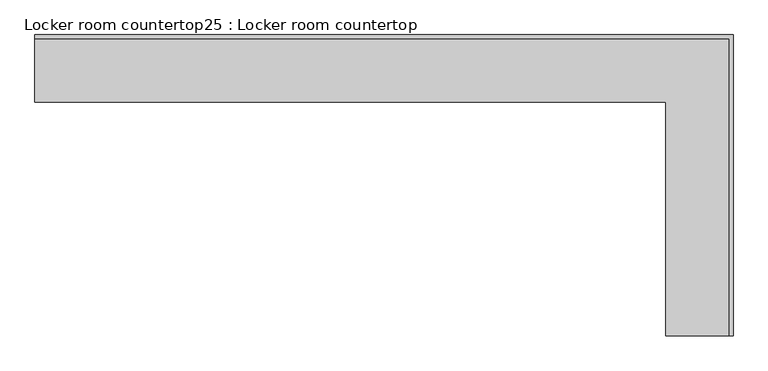
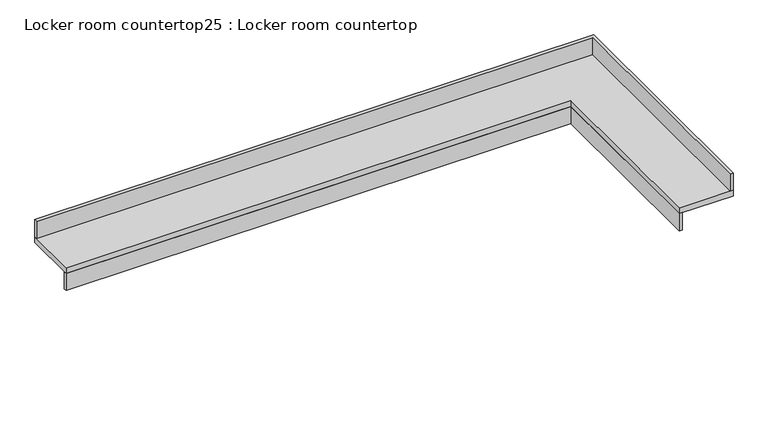
"""IFC4 building model written with IfcOpenShell, lengths in millimetres: furniture geometry, Locker room countertop25 : Locker room countertop."""

import ifcopenshell
import ifcopenshell.guid

model = None  # the IFC model being written
_history = None  # IfcOwnerHistory: only IFC2X3 demands one
_inside = {}  # id of a spatial element -> (the spatial element, [elements in it])
_under = {}  # id of a project, library or spatial element -> (it, [spatial elements below it])
_declared = {}  # id of a project -> (the project, [libraries it declares])
_typed = {}  # id of a type object -> (the type object, [elements of that type])
_made_of = {}  # id of a material, layer set ... -> (it, [elements and type objects made of it])


def new_model(schema):
    """Start an empty IFC model of exactly this schema.

    Asked for "IFC4X3", IfcOpenShell would pick the latest addendum, in which some entities
    have other attributes; the version numbers below select the first issue.
    IFC2X3 requires an IfcOwnerHistory on every rooted entity: one is made here for all.
    """
    global model, _history
    if schema == "IFC4X3":
        model = ifcopenshell.file(schema_version=(4, 3, 0, 0))
    else:
        model = ifcopenshell.file(schema=schema)
    _inside.clear()
    _under.clear()
    _declared.clear()
    _typed.clear()
    _made_of.clear()
    _history = None
    if model.schema == "IFC2X3":
        org = make("IfcOrganization", Name="unknown")
        user = make(
            "IfcPersonAndOrganization",
            ThePerson=make("IfcPerson", FamilyName="unknown"),
            TheOrganization=org,
        )
        app = make(
            "IfcApplication",
            ApplicationDeveloper=org,
            Version="unknown",
            ApplicationFullName="unknown",
            ApplicationIdentifier="unknown",
        )
        _history = make(
            "IfcOwnerHistory",
            OwningUser=user,
            OwningApplication=app,
            ChangeAction="ADDED",
            CreationDate=0,
        )
    return model


def make(cls, **values):
    """One entity of the class cls with the attributes given. An attribute that is None is left unset."""
    return model.create_entity(
        cls, **{name: value for name, value in values.items() if value is not None}
    )


def rooted(cls, **values):
    """An entity with a GlobalId (a new one), such as an element, a storey or a relation."""
    return make(cls, GlobalId=ifcopenshell.guid.new(), OwnerHistory=_history, **values)


def si_unit(unit_type, name, prefix=None):
    """IfcSIUnit, for example si_unit("LENGTHUNIT", "METRE", prefix="MILLI")."""
    return make("IfcSIUnit", UnitType=unit_type, Prefix=prefix, Name=name)


def assignment(units):
    """IfcUnitAssignment: the units of a project."""
    return None if units is None else make("IfcUnitAssignment", Units=units)


def point(xyz):
    """IfcCartesianPoint."""
    return None if xyz is None else make("IfcCartesianPoint", Coordinates=xyz)


def direction(xyz):
    """IfcDirection."""
    return None if xyz is None else make("IfcDirection", DirectionRatios=xyz)


def frame(location, z_axis=None, x_axis=None):
    """IfcAxis2Placement3D, a coordinate frame: its origin and axes. An axis left out is left unset."""
    return make(
        "IfcAxis2Placement3D",
        Location=point(location),
        Axis=direction(z_axis),
        RefDirection=direction(x_axis),
    )


def origin():
    """The frame at (0, 0, 0) with its axes left unset."""
    return frame((0.0, 0.0, 0.0))


def place(relative_to, where):
    """IfcLocalPlacement: puts the frame where relative to a parent placement (None: the world)."""
    return make(
        "IfcLocalPlacement", PlacementRelTo=relative_to, RelativePlacement=where
    )


def context(
    kind, dimensions, precision=None, world=None, true_north=None, identifier=None
):
    """IfcGeometricRepresentationContext, for example the 3D "Model" context."""
    return make(
        "IfcGeometricRepresentationContext",
        ContextIdentifier=identifier,
        ContextType=kind,
        CoordinateSpaceDimension=dimensions,
        Precision=precision,
        WorldCoordinateSystem=world,
        TrueNorth=true_north,
    )


def project(units=None, contexts=None):
    """IfcProject with its units and contexts."""
    return rooted(
        "IfcProject",
        Name="project",
        RepresentationContexts=contexts,
        UnitsInContext=assignment(units),
    )


def spatial(cls, under=None, at=None, **own):
    """A site, building, storey or space (cls), placed at a placement, below another one or the project."""
    s = rooted(cls, ObjectPlacement=at, **own)
    if under is not None:
        _under.setdefault(under.id(), (under, []))[1].append(s)
    return s


def polyline(points):
    """IfcPolyline through the points."""
    return make("IfcPolyline", Points=[point(p) for p in points])


def outline(outer, holes=None, kind="AREA"):
    """IfcArbitraryClosedProfileDef: a profile drawn as a closed curve; with holes, ...WithVoids."""
    if holes is None:
        return make("IfcArbitraryClosedProfileDef", ProfileType=kind, OuterCurve=outer)
    return make(
        "IfcArbitraryProfileDefWithVoids",
        ProfileType=kind,
        OuterCurve=outer,
        InnerCurves=holes,
    )


def extrude(swept, where, along, depth):
    """IfcExtrudedAreaSolid: the profile swept, set in the frame where, extruded along a direction by depth."""
    return make(
        "IfcExtrudedAreaSolid",
        SweptArea=swept,
        Position=where,
        ExtrudedDirection=direction(along),
        Depth=depth,
    )


def shape(context_of_items, identifier, shape_type, items):
    """IfcShapeRepresentation: the items that make up one representation, for example the "Body"."""
    return make(
        "IfcShapeRepresentation",
        ContextOfItems=context_of_items,
        RepresentationIdentifier=identifier,
        RepresentationType=shape_type,
        Items=items,
    )


def source(mapping_origin, context_of_items, identifier, shape_type, items):
    """IfcRepresentationMap: a shape defined once, which mapped items show again and again."""
    return make(
        "IfcRepresentationMap",
        MappingOrigin=mapping_origin,
        MappedRepresentation=shape(context_of_items, identifier, shape_type, items),
    )


def transform(
    local_origin,
    x_axis=None,
    y_axis=None,
    z_axis=None,
    scale=None,
    scale2=None,
    scale3=None,
    uniform=True,
):
    """IfcCartesianTransformationOperator3D, or its non-uniform kind. x_axis, y_axis, z_axis: its Axis1, 2, 3."""
    if uniform:
        return make(
            "IfcCartesianTransformationOperator3D",
            Axis1=direction(x_axis),
            Axis2=direction(y_axis),
            LocalOrigin=point(local_origin),
            Scale=scale,
            Axis3=direction(z_axis),
        )
    return make(
        "IfcCartesianTransformationOperator3DnonUniform",
        Axis1=direction(x_axis),
        Axis2=direction(y_axis),
        LocalOrigin=point(local_origin),
        Scale=scale,
        Axis3=direction(z_axis),
        Scale2=scale2,
        Scale3=scale3,
    )


def mapped(mapping_source, mapping_target):
    """IfcMappedItem: shows the shape of a source again, moved by a transform."""
    return make(
        "IfcMappedItem", MappingSource=mapping_source, MappingTarget=mapping_target
    )


def made_of(thing, what):
    """Note that an element or type object is made of a material, layer set ...; save() writes the relation."""
    if what is not None:
        _made_of.setdefault(what.id(), (what, []))[1].append(thing)
    return thing


def element(
    cls,
    number,
    at=None,
    inside=None,
    cuts=None,
    type_object=None,
    material=None,
    context=None,
    identifier="Body",
    shape_type=None,
    held_by="IfcProductDefinitionShape",
    body=None,
    shapes=None,
    **own,
):
    """One element of the class cls, such as IfcWall. Its Tag is "e" and its number.

    at: its placement. inside: the storey or other place that contains it. cuts: it is an
    opening in that element (IfcRelVoidsElement). A single representation is given by context,
    identifier, shape_type and body (its items); several are given by shapes. held_by: the class
    of the entity that holds the representations. save() writes the other relations.
    """
    e = rooted(cls, Tag="e%d" % number, ObjectPlacement=at, **own)
    if body is not None:
        shapes = [shape(context, identifier, shape_type, body)]
    if shapes is not None:
        e.Representation = make(held_by, Representations=shapes)
    if inside is not None:
        _inside.setdefault(inside.id(), (inside, []))[1].append(e)
    if cuts is not None:
        rooted(
            "IfcRelVoidsElement", RelatingBuildingElement=cuts, RelatedOpeningElement=e
        )
    if type_object is not None:
        _typed.setdefault(type_object.id(), (type_object, []))[1].append(e)
    return made_of(e, material)


def aggregate(whole, parts):
    """IfcRelAggregates: a whole, such as a stair, and the parts it consists of."""
    return rooted("IfcRelAggregates", RelatingObject=whole, RelatedObjects=parts)


def save(model, path):
    """Write the relations noted so far, then the file.

    IfcRelAggregates (storeys below a building ...), IfcRelContainedInSpatialStructure (elements
    in a storey), IfcRelDefinesByType, IfcRelAssociatesMaterial and IfcRelDeclares: one each for
    every whole, place, type object, material and project.
    """
    for whole, parts in _under.values():
        aggregate(whole, parts)
    for where, things in _inside.values():
        rooted(
            "IfcRelContainedInSpatialStructure",
            RelatedElements=things,
            RelatingStructure=where,
        )
    for kind, things in _typed.values():
        rooted("IfcRelDefinesByType", RelatedObjects=things, RelatingType=kind)
    for what, things in _made_of.values():
        rooted("IfcRelAssociatesMaterial", RelatedObjects=things, RelatingMaterial=what)
    for by, libraries in _declared.values():
        rooted("IfcRelDeclares", RelatingContext=by, RelatedDefinitions=libraries)
    model.write(path)


def locker_room_countertop25_locker_room_countertop_f58b62fe(model_context):
    return source(origin(), model_context, "Body", "SweptSolid", [
        extrude(outline(polyline([(458783.7987259, -172576.3455223), (454516.5987259, -172576.3455223), (454516.5987259, -172550.9455223), (458809.1987259, -172550.9455223), (458809.1987259, -174159.0830223), (458783.7987259, -174159.0830223), (458783.7987259, -172576.3455223)])), frame((0.0, 0.0, 660.4), z_axis=(0.0, 0.0, 1.0), x_axis=(1.0, 0.0, 0.0)), (0.0, 0.0, 1.0), 152.4),
        extrude(outline(polyline([(454516.5987259, -172144.5455223), (454516.5987259, -172119.1455223), (459240.9987259, -172119.1455223), (459240.9987259, -174159.0830223), (459215.5987259, -174159.0830223), (459215.5987259, -172144.5455223), (454516.5987259, -172144.5455223)])), frame((0.0, 0.0, 863.6), z_axis=(0.0, 0.0, 1.0), x_axis=(1.0, 0.0, 0.0)), (0.0, 0.0, 1.0), 152.4),
        extrude(outline(polyline([(454516.5987259, -172576.3455223), (454516.5987259, -172119.1455223), (459240.9987259, -172119.1455223), (459240.9987259, -174159.0830223), (458783.7987259, -174159.0830223), (458783.7987259, -172576.3455223), (454516.5987259, -172576.3455223)])), frame((0.0, 0.0, 812.8), z_axis=(0.0, 0.0, 1.0), x_axis=(1.0, 0.0, 0.0)), (0.0, 0.0, 1.0), 50.8),
    ])


if __name__ == "__main__":
    model = new_model("IFC4")
    model_context = context("Model", 3, world=origin())
    ifc_project = project(units=[si_unit("LENGTHUNIT", "METRE", prefix="MILLI")], contexts=[model_context])
    site = spatial("IfcSite", under=ifc_project)
    building = spatial("IfcBuilding", under=site)
    placement = place(None, origin())
    locker_room_countertop25_locker_room_countertop_shape = locker_room_countertop25_locker_room_countertop_f58b62fe(model_context)
    element("IfcFurniture", 1, ObjectType="Locker room countertop25 : Locker room countertop", at=placement, inside=building, context=model_context, shape_type="MappedRepresentation", body=[
        mapped(locker_room_countertop25_locker_room_countertop_shape, transform((0.0, 0.0, 0.0), x_axis=(1.0, 0.0, 0.0), y_axis=(0.0, 1.0, 0.0), z_axis=(0.0, 0.0, 1.0))),
    ])
    save(model, "model.ifc")
